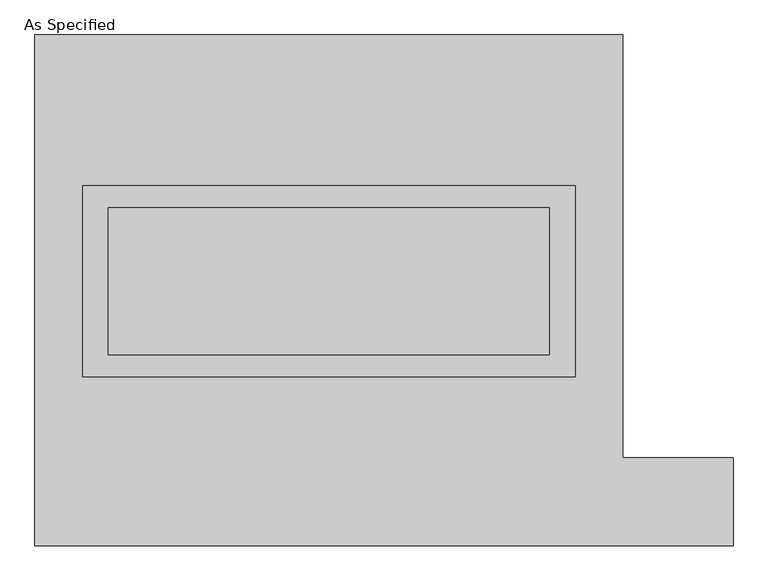
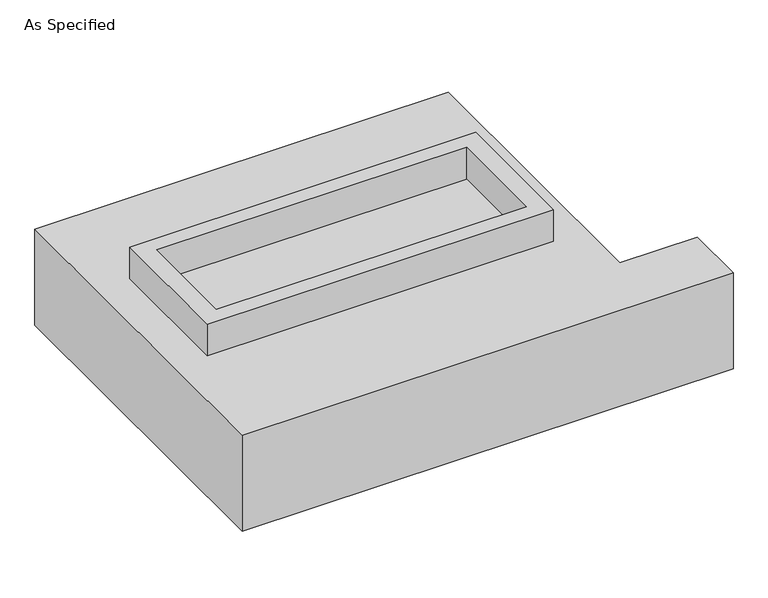
"""IFC4 building model written with IfcOpenShell, lengths in millimetres: proxy geometry, As Specified."""

import ifcopenshell
import ifcopenshell.guid

model = None  # the IFC model being written
_history = None  # IfcOwnerHistory: only IFC2X3 demands one
_inside = {}  # id of a spatial element -> (the spatial element, [elements in it])
_under = {}  # id of a project, library or spatial element -> (it, [spatial elements below it])
_declared = {}  # id of a project -> (the project, [libraries it declares])
_typed = {}  # id of a type object -> (the type object, [elements of that type])
_made_of = {}  # id of a material, layer set ... -> (it, [elements and type objects made of it])


def new_model(schema):
    """Start an empty IFC model of exactly this schema.

    Asked for "IFC4X3", IfcOpenShell would pick the latest addendum, in which some entities
    have other attributes; the version numbers below select the first issue.
    IFC2X3 requires an IfcOwnerHistory on every rooted entity: one is made here for all.
    """
    global model, _history
    if schema == "IFC4X3":
        model = ifcopenshell.file(schema_version=(4, 3, 0, 0))
    else:
        model = ifcopenshell.file(schema=schema)
    _inside.clear()
    _under.clear()
    _declared.clear()
    _typed.clear()
    _made_of.clear()
    _history = None
    if model.schema == "IFC2X3":
        org = make("IfcOrganization", Name="unknown")
        user = make(
            "IfcPersonAndOrganization",
            ThePerson=make("IfcPerson", FamilyName="unknown"),
            TheOrganization=org,
        )
        app = make(
            "IfcApplication",
            ApplicationDeveloper=org,
            Version="unknown",
            ApplicationFullName="unknown",
            ApplicationIdentifier="unknown",
        )
        _history = make(
            "IfcOwnerHistory",
            OwningUser=user,
            OwningApplication=app,
            ChangeAction="ADDED",
            CreationDate=0,
        )
    return model


def make(cls, **values):
    """One entity of the class cls with the attributes given. An attribute that is None is left unset."""
    return model.create_entity(
        cls, **{name: value for name, value in values.items() if value is not None}
    )


def rooted(cls, **values):
    """An entity with a GlobalId (a new one), such as an element, a storey or a relation."""
    return make(cls, GlobalId=ifcopenshell.guid.new(), OwnerHistory=_history, **values)


def si_unit(unit_type, name, prefix=None):
    """IfcSIUnit, for example si_unit("LENGTHUNIT", "METRE", prefix="MILLI")."""
    return make("IfcSIUnit", UnitType=unit_type, Prefix=prefix, Name=name)


def assignment(units):
    """IfcUnitAssignment: the units of a project."""
    return None if units is None else make("IfcUnitAssignment", Units=units)


def point(xyz):
    """IfcCartesianPoint."""
    return None if xyz is None else make("IfcCartesianPoint", Coordinates=xyz)


def direction(xyz):
    """IfcDirection."""
    return None if xyz is None else make("IfcDirection", DirectionRatios=xyz)


def frame(location, z_axis=None, x_axis=None):
    """IfcAxis2Placement3D, a coordinate frame: its origin and axes. An axis left out is left unset."""
    return make(
        "IfcAxis2Placement3D",
        Location=point(location),
        Axis=direction(z_axis),
        RefDirection=direction(x_axis),
    )


def origin():
    """The frame at (0, 0, 0) with its axes left unset."""
    return frame((0.0, 0.0, 0.0))


def place(relative_to, where):
    """IfcLocalPlacement: puts the frame where relative to a parent placement (None: the world)."""
    return make(
        "IfcLocalPlacement", PlacementRelTo=relative_to, RelativePlacement=where
    )


def context(
    kind, dimensions, precision=None, world=None, true_north=None, identifier=None
):
    """IfcGeometricRepresentationContext, for example the 3D "Model" context."""
    return make(
        "IfcGeometricRepresentationContext",
        ContextIdentifier=identifier,
        ContextType=kind,
        CoordinateSpaceDimension=dimensions,
        Precision=precision,
        WorldCoordinateSystem=world,
        TrueNorth=true_north,
    )


def project(units=None, contexts=None):
    """IfcProject with its units and contexts."""
    return rooted(
        "IfcProject",
        Name="project",
        RepresentationContexts=contexts,
        UnitsInContext=assignment(units),
    )


def spatial(cls, under=None, at=None, **own):
    """A site, building, storey or space (cls), placed at a placement, below another one or the project."""
    s = rooted(cls, ObjectPlacement=at, **own)
    if under is not None:
        _under.setdefault(under.id(), (under, []))[1].append(s)
    return s


def polyline(points):
    """IfcPolyline through the points."""
    return make("IfcPolyline", Points=[point(p) for p in points])


def outline(outer, holes=None, kind="AREA"):
    """IfcArbitraryClosedProfileDef: a profile drawn as a closed curve; with holes, ...WithVoids."""
    if holes is None:
        return make("IfcArbitraryClosedProfileDef", ProfileType=kind, OuterCurve=outer)
    return make(
        "IfcArbitraryProfileDefWithVoids",
        ProfileType=kind,
        OuterCurve=outer,
        InnerCurves=holes,
    )


def extrude(swept, where, along, depth):
    """IfcExtrudedAreaSolid: the profile swept, set in the frame where, extruded along a direction by depth."""
    return make(
        "IfcExtrudedAreaSolid",
        SweptArea=swept,
        Position=where,
        ExtrudedDirection=direction(along),
        Depth=depth,
    )


def shape(context_of_items, identifier, shape_type, items):
    """IfcShapeRepresentation: the items that make up one representation, for example the "Body"."""
    return make(
        "IfcShapeRepresentation",
        ContextOfItems=context_of_items,
        RepresentationIdentifier=identifier,
        RepresentationType=shape_type,
        Items=items,
    )


def source(mapping_origin, context_of_items, identifier, shape_type, items):
    """IfcRepresentationMap: a shape defined once, which mapped items show again and again."""
    return make(
        "IfcRepresentationMap",
        MappingOrigin=mapping_origin,
        MappedRepresentation=shape(context_of_items, identifier, shape_type, items),
    )


def transform(
    local_origin,
    x_axis=None,
    y_axis=None,
    z_axis=None,
    scale=None,
    scale2=None,
    scale3=None,
    uniform=True,
):
    """IfcCartesianTransformationOperator3D, or its non-uniform kind. x_axis, y_axis, z_axis: its Axis1, 2, 3."""
    if uniform:
        return make(
            "IfcCartesianTransformationOperator3D",
            Axis1=direction(x_axis),
            Axis2=direction(y_axis),
            LocalOrigin=point(local_origin),
            Scale=scale,
            Axis3=direction(z_axis),
        )
    return make(
        "IfcCartesianTransformationOperator3DnonUniform",
        Axis1=direction(x_axis),
        Axis2=direction(y_axis),
        LocalOrigin=point(local_origin),
        Scale=scale,
        Axis3=direction(z_axis),
        Scale2=scale2,
        Scale3=scale3,
    )


def mapped(mapping_source, mapping_target):
    """IfcMappedItem: shows the shape of a source again, moved by a transform."""
    return make(
        "IfcMappedItem", MappingSource=mapping_source, MappingTarget=mapping_target
    )


def made_of(thing, what):
    """Note that an element or type object is made of a material, layer set ...; save() writes the relation."""
    if what is not None:
        _made_of.setdefault(what.id(), (what, []))[1].append(thing)
    return thing


def element(
    cls,
    number,
    at=None,
    inside=None,
    cuts=None,
    type_object=None,
    material=None,
    context=None,
    identifier="Body",
    shape_type=None,
    held_by="IfcProductDefinitionShape",
    body=None,
    shapes=None,
    **own,
):
    """One element of the class cls, such as IfcWall. Its Tag is "e" and its number.

    at: its placement. inside: the storey or other place that contains it. cuts: it is an
    opening in that element (IfcRelVoidsElement). A single representation is given by context,
    identifier, shape_type and body (its items); several are given by shapes. held_by: the class
    of the entity that holds the representations. save() writes the other relations.
    """
    e = rooted(cls, Tag="e%d" % number, ObjectPlacement=at, **own)
    if body is not None:
        shapes = [shape(context, identifier, shape_type, body)]
    if shapes is not None:
        e.Representation = make(held_by, Representations=shapes)
    if inside is not None:
        _inside.setdefault(inside.id(), (inside, []))[1].append(e)
    if cuts is not None:
        rooted(
            "IfcRelVoidsElement", RelatingBuildingElement=cuts, RelatedOpeningElement=e
        )
    if type_object is not None:
        _typed.setdefault(type_object.id(), (type_object, []))[1].append(e)
    return made_of(e, material)


def aggregate(whole, parts):
    """IfcRelAggregates: a whole, such as a stair, and the parts it consists of."""
    return rooted("IfcRelAggregates", RelatingObject=whole, RelatedObjects=parts)


def save(model, path):
    """Write the relations noted so far, then the file.

    IfcRelAggregates (storeys below a building ...), IfcRelContainedInSpatialStructure (elements
    in a storey), IfcRelDefinesByType, IfcRelAssociatesMaterial and IfcRelDeclares: one each for
    every whole, place, type object, material and project.
    """
    for whole, parts in _under.values():
        aggregate(whole, parts)
    for where, things in _inside.values():
        rooted(
            "IfcRelContainedInSpatialStructure",
            RelatedElements=things,
            RelatingStructure=where,
        )
    for kind, things in _typed.values():
        rooted("IfcRelDefinesByType", RelatedObjects=things, RelatingType=kind)
    for what, things in _made_of.values():
        rooted("IfcRelAssociatesMaterial", RelatedObjects=things, RelatingMaterial=what)
    for by, libraries in _declared.values():
        rooted("IfcRelDeclares", RelatingContext=by, RelatedDefinitions=libraries)
    model.write(path)


def as_specified_1f51b71a(model_context):
    return source(origin(), model_context, "Body", "SweptSolid", [
        extrude(outline(polyline([(850.9, 361.95), (850.9, -298.45), (-850.9, -298.45), (-850.9, 361.95), (850.9, 361.95)]), holes=[polyline([(762.0, 285.75), (-762.0, 285.75), (-762.0, -222.25), (762.0, -222.25), (762.0, 285.75)])]), frame((0.0, 0.0, -688.975), z_axis=(0.0, 0.0, 1.0), x_axis=(1.0, 0.0, 0.0)), (0.0, 0.0, 1.0), 165.1),
        extrude(outline(polyline([(850.9, 361.95), (850.9, -298.45), (-850.9, -298.45), (-850.9, 361.95), (850.9, 361.95)]), holes=[polyline([(762.0, 285.75), (-762.0, 285.75), (-762.0, -222.25), (762.0, -222.25), (762.0, 285.75)])]), frame((0.0, 0.0, -25.4), z_axis=(0.0, 0.0, 1.0), x_axis=(1.0, 0.0, 0.0)), (0.0, 0.0, 1.0), 165.1),
        extrude(outline(polyline([(762.0, 285.75), (762.0, -222.25), (-762.0, -222.25), (-762.0, 285.75), (762.0, 285.75)])), frame((0.0, 0.0, -523.875), z_axis=(0.0, 0.0, 1.0), x_axis=(1.0, 0.0, 0.0)), (0.0, 0.0, 1.0), 4.9609375),
        extrude(outline(polyline([(762.0, 285.75), (762.0, -222.25), (-762.0, -222.25), (-762.0, 285.75), (762.0, 285.75)])), frame((0.0, 0.0, -30.3609375), z_axis=(0.0, 0.0, 1.0), x_axis=(1.0, 0.0, 0.0)), (0.0, 0.0, 1.0), 4.9609375),
        extrude(outline(polyline([(-1016.0, 882.65), (1016.0, 882.65), (1016.0, -577.85), (1397.0, -577.85), (1397.0, -882.65), (-1016.0, -882.65), (-1016.0, 882.65)]), holes=[polyline([(-850.9, 361.95), (-850.9, -298.45), (850.9, -298.45), (850.9, 361.95), (-850.9, 361.95)])]), frame((0.0, 0.0, -523.875), z_axis=(0.0, 0.0, 1.0), x_axis=(1.0, 0.0, 0.0)), (0.0, 0.0, 1.0), 498.475),
    ])


if __name__ == "__main__":
    model = new_model("IFC4")
    model_context = context("Model", 3, world=origin())
    ifc_project = project(units=[si_unit("LENGTHUNIT", "METRE", prefix="MILLI")], contexts=[model_context])
    site = spatial("IfcSite", under=ifc_project)
    building = spatial("IfcBuilding", under=site)
    placement = place(None, origin())
    as_specified_shape = as_specified_1f51b71a(model_context)
    element("IfcBuildingElementProxy", 1, Name="As Specified", ObjectType="As Specified", at=placement, inside=building, context=model_context, shape_type="MappedRepresentation", body=[
        mapped(as_specified_shape, transform((0.0, 0.0, 0.0), x_axis=(1.0, 0.0, 0.0), y_axis=(0.0, 1.0, 0.0), z_axis=(0.0, 0.0, 1.0))),
    ])
    save(model, "model.ifc")
